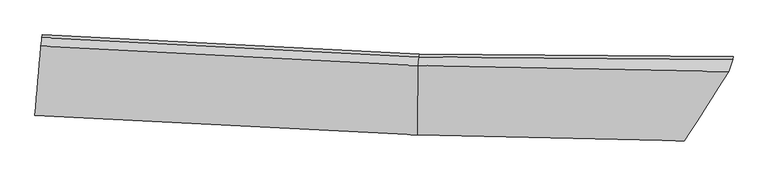
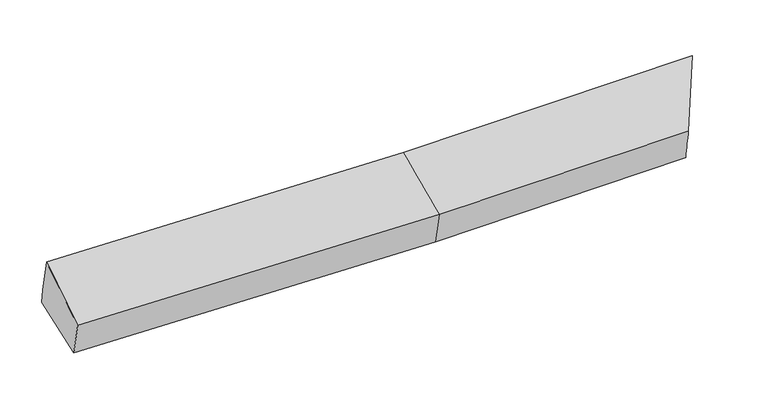
"""IFC4 building model written with IfcOpenShell, lengths in millimetres: proxy geometry."""

from ifc_helpers import new_model, si_unit, frame, origin, place, context, project, spatial, source, transform, mapped, element, save
from ifc_brep_helpers import plane_surface, spline_surface, advanced_brep


def generic_models_9ebe2268(model_context):
    return source(origin(), model_context, "Body", "AdvancedBrep", [
        advanced_brep(
        [(-3399.4271037, -1910.5173802, 2038.0862977), (-3387.9410642, -1817.4320377, 1674.4872259), (273.8849032, -2003.4160973, 1730.0506721), (264.3033785, -2096.6042013, 2093.6785957), (-3328.0361703, -1136.5040671, 1800.0798315), (283.813059, -1319.7915445, 1854.8861737), (-3331.9674119, -1165.182179, 1957.4396461), (279.8818174, -1348.4696564, 2012.2459883), (-3342.4226334, -1247.161852, 2316.8742898), (270.5964088, -1430.5124486, 2371.6983537), (3289.3184307, -1373.022895, 2067.7028531), (3251.5071515, -1487.6174991, 2434.3095153), (2827.0810549, -2155.9450817, 2153.5948366), (2868.9894441, -2032.7063859, 1774.1020836), (3293.2542901, -1344.3110965, 1910.1581968)],
        [
            (0, 1),
            (1, 2),
            (2, 3),
            (3, 0),
            (1, 4),
            (4, 5),
            (5, 1),
            (4, 6),
            (6, 7),
            (7, 5),
            (6, 8),
            (8, 9),
            (9, 7),
            (8, 0),
            (3, 9),
            (10, 11),
            (11, 12),
            (12, 13),
            (13, 14),
            (14, 10),
            (5, 2),
            (9, 11),
            (10, 7),
            (3, 12),
            (2, 13),
            (5, 14),
        ],
        [
            spline_surface(1, 1, [[(-3399.4271037, -1910.5173802, 2038.0862977), (264.3033785, -2096.6042013, 2093.6785957)], [(-3387.9410642, -1817.4320377, 1674.4872259), (273.8849032, -2003.4160973, 1730.0506721)]], [2, 2], [2, 2], [0.0, 1.0], [0.0, 1.0]),
            plane_surface(frame((-3357.9886172, -1476.9680524, 1737.2835287), z_axis=(0.024021861454291554, 0.1792872930423588, -0.9835034401189526), x_axis=(0.08619409190555928, 0.9797524756442209, 0.18070878503713209))),
            plane_surface(frame((-3330.0017911, -1150.8431231, 1878.7597388), z_axis=(0.047122975114687056, 0.9824946281483828, 0.18023243569322298), x_axis=(-0.02457026016374704, -0.17923819918521666, 0.9834988410101593))),
            spline_surface(1, 1, [[(-3331.9674119, -1165.182179, 1957.4396461), (279.8818174, -1348.4696564, 2012.2459883)], [(-3342.4226334, -1247.161852, 2316.8742898), (270.5964088, -1430.5124486, 2371.6983537)]], [2, 2], [2, 2], [0.0, 1.0], [0.0, 1.0]),
            spline_surface(1, 1, [[(-3342.4226334, -1247.161852, 2316.8742898), (270.5964088, -1430.5124486, 2371.6983537)], [(-3399.4271037, -1910.5173802, 2038.0862977), (264.3033785, -2096.6042013, 2093.6785957)]], [2, 2], [2, 2], [0.0, 1.0], [0.0, 1.0]),
            plane_surface(frame((3106.0300742, -1678.7205916, 2067.9734971), z_axis=(0.8553931975639656, -0.5129352664199166, -0.07211026295905172), x_axis=(-0.0979678401963846, -0.29691103065008706, 0.9498663812166207))),
            plane_surface(frame((-3357.9588767, -1455.3595032, 1957.3934582), z_axis=(-0.9959753414799282, 0.08921185135328027, -0.008623499409202942), x_axis=(0.07897410499417865, 0.9190140515647882, 0.3862334317052852))),
            plane_surface(frame((-3387.9410642, -1817.4320377, 1674.4872259), z_axis=(0.024027503500326747, 0.17924819749521542, -0.9835104283993424), x_axis=(0.01428511621639483, 0.9836324501475345, 0.17961942676515297))),
            spline_surface(1, 1, [[(279.8818174, -1348.4696564, 2012.2459883), (3289.3184307, -1373.022895, 2067.7028531)], [(270.5964088, -1430.5124486, 2371.6983537), (3251.5071515, -1487.6174991, 2434.3095153)]], [2, 2], [2, 2], [0.0, 1.0], [0.0, 1.0]),
            spline_surface(1, 1, [[(270.5964088, -1430.5124486, 2371.6983537), (3251.5071515, -1487.6174991, 2434.3095153)], [(264.3033785, -2096.6042013, 2093.6785957), (2827.0810549, -2155.9450817, 2153.5948366)]], [2, 2], [2, 2], [0.0, 1.0], [0.0, 1.0]),
            spline_surface(1, 1, [[(264.3033785, -2096.6042013, 2093.6785957), (2827.0810549, -2155.9450817, 2153.5948366)], [(273.8849032, -2003.4160973, 1730.0506721), (2868.9894441, -2032.7063859, 1774.1020836)]], [2, 2], [2, 2], [0.0, 1.0], [0.0, 1.0]),
            spline_surface(1, 1, [[(273.8849032, -2003.4160973, 1730.0506721), (2868.9894441, -2032.7063859, 1774.1020836)], [(283.813059, -1319.7915445, 1854.8861737), (3293.2542901, -1344.3110965, 1910.1581968)]], [2, 2], [2, 2], [0.0, 1.0], [0.0, 1.0]),
            plane_surface(frame((281.8474382, -1334.1306004, 1933.566081), z_axis=(0.004720280555408584, 0.9837640764567055, 0.17940446155200118), x_axis=(-0.02457026016380046, -0.17923819918516193, 0.9834988410101678))),
        ],
        [
            (0, [[1, 2, 3, 4]]),
            (1, [[5, 6, 7]]),
            (2, [[8, 9, 10, -6]]),
            (3, [[11, 12, 13, -9]]),
            (4, [[14, -4, 15, -12]]),
            (5, [[16, 17, 18, 19, 20]]),
            (6, [[-14, -11, -8, -5, -1]]),
            (7, [[21, -2, -7]]),
            (8, [[-13, 22, -16, 23]]),
            (9, [[-15, 24, -17, -22]]),
            (10, [[-3, 25, -18, -24]]),
            (11, [[-21, 26, -19, -25]]),
            (12, [[-10, -23, -20, -26]]),
        ],
    ),
    ])


if __name__ == "__main__":
    model = new_model("IFC4")
    model_context = context("Model", 3, world=origin())
    ifc_project = project(units=[si_unit("LENGTHUNIT", "METRE", prefix="MILLI")], contexts=[model_context])
    site = spatial("IfcSite", under=ifc_project)
    building = spatial("IfcBuilding", under=site)
    placement = place(None, origin())
    generic_models_shape = generic_models_9ebe2268(model_context)
    element("IfcBuildingElementProxy", 1, Name="Generic Models", at=placement, inside=building, context=model_context, shape_type="MappedRepresentation", body=[
        mapped(generic_models_shape, transform((0.0, 0.0, 0.0), x_axis=(1.0, 0.0, 0.0), y_axis=(0.0, 1.0, 0.0), z_axis=(0.0, 0.0, 1.0))),
    ])
    save(model, "model.ifc")
